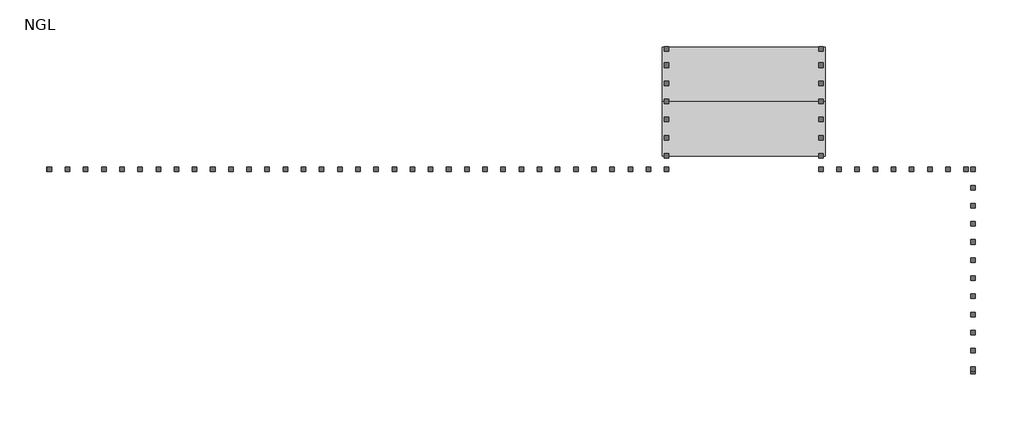
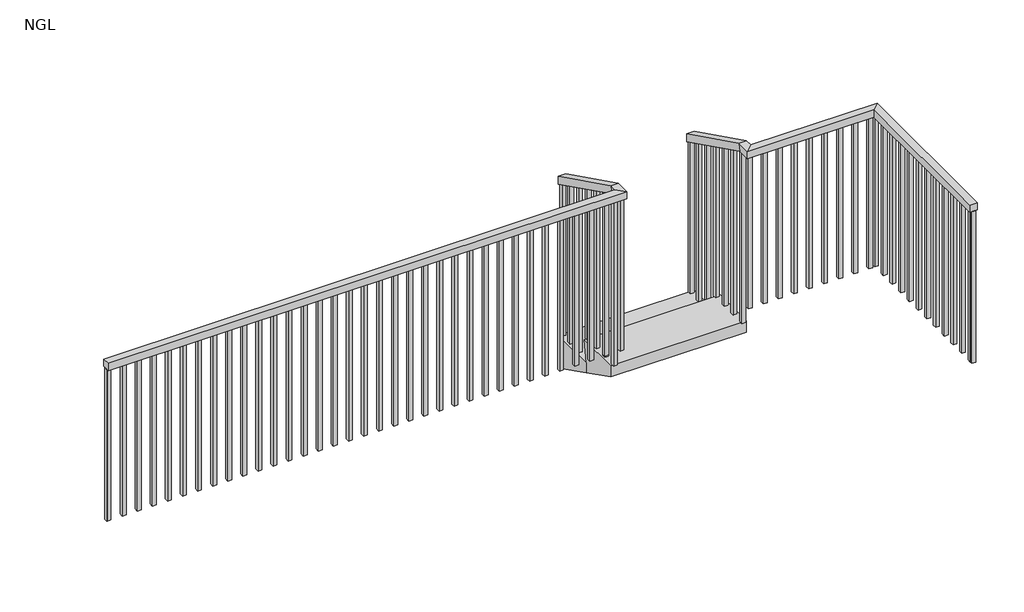
# One storey: 2 railings, 1 stair flight.
"""IFC4 building model written with IfcOpenShell, lengths in millimetres."""

from ifc_helpers import new_model, si_unit, frame, origin, place, context, project, spatial, polyline, outline, extrude, faceted_brep, element, save

model = new_model("IFC4")

# Units and contexts
model_context = context("Model", 3, world=origin())
ifc_project = project(units=[si_unit("LENGTHUNIT", "METRE", prefix="MILLI")], contexts=[model_context])

# Site, building, storey
site = spatial("IfcSite", under=ifc_project)
building = spatial("IfcBuilding", under=site)
storey = spatial("IfcBuildingStorey", under=building, Name="NGL", Elevation=0.0)

# Railings
placement = place(None, origin())
element("IfcRailing", 1, ObjectType="Handrail - Rectangular 2", at=placement, inside=storey, context=model_context, shape_type="SolidModel", body=[
    faceted_brep([(-2351.5415084, 9404.1935985, 1435.1), (-2351.5415084, 9404.1935985, 1378.3038734), (-2402.3415084, 9404.1935985, 1378.3038734), (-2402.3415084, 9404.1935985, 1435.1), (-2351.5415084, 8794.5935985, 1739.9), (-2351.5415084, 8782.6013452, 1689.1), (-2402.3415084, 8782.6013452, 1689.1), (-2402.3415084, 8794.5935985, 1739.9), (-5844.0721384, 8692.9935985, 1739.9), (-5844.0721384, 8743.7935985, 1739.9), (-5844.0721384, 8743.7935985, 1689.1), (-5844.0721384, 8692.9935985, 1689.1), (-2351.5415084, 8692.9935985, 1739.9), (-2351.5415084, 8692.9935985, 1689.1), (-2402.3415084, 8743.7935985, 1689.1), (-2402.3415084, 8743.7935985, 1739.9)], [[[0, 1, 2, 3]], [[1, 0, 4, 5]], [[2, 1, 5, 6]], [[3, 2, 6, 7]], [[0, 3, 7, 4]], [[8, 9, 10, 11]], [[5, 4, 12, 13]], [[6, 5, 13, 14]], [[7, 6, 14, 15]], [[4, 7, 15, 12]], [[13, 12, 8, 11]], [[14, 13, 11, 10]], [[15, 14, 10, 9]], [[12, 15, 9, 8]]]),
    extrude(outline(polyline([(-5818.6415084, 8731.0935985), (-5818.6415084, 8705.6935985), (-5844.0415084, 8705.6935985), (-5844.0415084, 8731.0935985), (-5818.6415084, 8731.0935985)])), frame((0.0, 0.0, 609.6), z_axis=(0.0, 0.0, 1.0), x_axis=(1.0, 0.0, 0.0)), (0.0, 0.0, 1.0), 1079.5),
    extrude(outline(polyline([(-5717.0415084, 8731.0935985), (-5717.0415084, 8705.6935985), (-5742.4415084, 8705.6935985), (-5742.4415084, 8731.0935985), (-5717.0415084, 8731.0935985)])), frame((0.0, 0.0, 609.6), z_axis=(0.0, 0.0, 1.0), x_axis=(1.0, 0.0, 0.0)), (0.0, 0.0, 1.0), 1079.5),
    extrude(outline(polyline([(-5615.4415084, 8731.0935985), (-5615.4415084, 8705.6935985), (-5640.8415084, 8705.6935985), (-5640.8415084, 8731.0935985), (-5615.4415084, 8731.0935985)])), frame((0.0, 0.0, 609.6), z_axis=(0.0, 0.0, 1.0), x_axis=(1.0, 0.0, 0.0)), (0.0, 0.0, 1.0), 1079.5),
    extrude(outline(polyline([(-5513.8415084, 8731.0935985), (-5513.8415084, 8705.6935985), (-5539.2415084, 8705.6935985), (-5539.2415084, 8731.0935985), (-5513.8415084, 8731.0935985)])), frame((0.0, 0.0, 609.6), z_axis=(0.0, 0.0, 1.0), x_axis=(1.0, 0.0, 0.0)), (0.0, 0.0, 1.0), 1079.5),
    extrude(outline(polyline([(-5412.2415084, 8731.0935985), (-5412.2415084, 8705.6935985), (-5437.6415084, 8705.6935985), (-5437.6415084, 8731.0935985), (-5412.2415084, 8731.0935985)])), frame((0.0, 0.0, 609.6), z_axis=(0.0, 0.0, 1.0), x_axis=(1.0, 0.0, 0.0)), (0.0, 0.0, 1.0), 1079.5),
    extrude(outline(polyline([(-5310.6415084, 8731.0935985), (-5310.6415084, 8705.6935985), (-5336.0415084, 8705.6935985), (-5336.0415084, 8731.0935985), (-5310.6415084, 8731.0935985)])), frame((0.0, 0.0, 609.6), z_axis=(0.0, 0.0, 1.0), x_axis=(1.0, 0.0, 0.0)), (0.0, 0.0, 1.0), 1079.5),
    extrude(outline(polyline([(-5209.0415084, 8731.0935985), (-5209.0415084, 8705.6935985), (-5234.4415084, 8705.6935985), (-5234.4415084, 8731.0935985), (-5209.0415084, 8731.0935985)])), frame((0.0, 0.0, 609.6), z_axis=(0.0, 0.0, 1.0), x_axis=(1.0, 0.0, 0.0)), (0.0, 0.0, 1.0), 1079.5),
    extrude(outline(polyline([(-5107.4415084, 8731.0935985), (-5107.4415084, 8705.6935985), (-5132.8415084, 8705.6935985), (-5132.8415084, 8731.0935985), (-5107.4415084, 8731.0935985)])), frame((0.0, 0.0, 609.6), z_axis=(0.0, 0.0, 1.0), x_axis=(1.0, 0.0, 0.0)), (0.0, 0.0, 1.0), 1079.5),
    extrude(outline(polyline([(-5005.8415084, 8731.0935985), (-5005.8415084, 8705.6935985), (-5031.2415084, 8705.6935985), (-5031.2415084, 8731.0935985), (-5005.8415084, 8731.0935985)])), frame((0.0, 0.0, 609.6), z_axis=(0.0, 0.0, 1.0), x_axis=(1.0, 0.0, 0.0)), (0.0, 0.0, 1.0), 1079.5),
    extrude(outline(polyline([(-4904.2415084, 8731.0935985), (-4904.2415084, 8705.6935985), (-4929.6415084, 8705.6935985), (-4929.6415084, 8731.0935985), (-4904.2415084, 8731.0935985)])), frame((0.0, 0.0, 609.6), z_axis=(0.0, 0.0, 1.0), x_axis=(1.0, 0.0, 0.0)), (0.0, 0.0, 1.0), 1079.5),
    extrude(outline(polyline([(-4802.6415084, 8731.0935985), (-4802.6415084, 8705.6935985), (-4828.0415084, 8705.6935985), (-4828.0415084, 8731.0935985), (-4802.6415084, 8731.0935985)])), frame((0.0, 0.0, 609.6), z_axis=(0.0, 0.0, 1.0), x_axis=(1.0, 0.0, 0.0)), (0.0, 0.0, 1.0), 1079.5),
    extrude(outline(polyline([(-4701.0415084, 8731.0935985), (-4701.0415084, 8705.6935985), (-4726.4415084, 8705.6935985), (-4726.4415084, 8731.0935985), (-4701.0415084, 8731.0935985)])), frame((0.0, 0.0, 609.6), z_axis=(0.0, 0.0, 1.0), x_axis=(1.0, 0.0, 0.0)), (0.0, 0.0, 1.0), 1079.5),
    extrude(outline(polyline([(-4599.4415084, 8731.0935985), (-4599.4415084, 8705.6935985), (-4624.8415084, 8705.6935985), (-4624.8415084, 8731.0935985), (-4599.4415084, 8731.0935985)])), frame((0.0, 0.0, 609.6), z_axis=(0.0, 0.0, 1.0), x_axis=(1.0, 0.0, 0.0)), (0.0, 0.0, 1.0), 1079.5),
    extrude(outline(polyline([(-4497.8415084, 8731.0935985), (-4497.8415084, 8705.6935985), (-4523.2415084, 8705.6935985), (-4523.2415084, 8731.0935985), (-4497.8415084, 8731.0935985)])), frame((0.0, 0.0, 609.6), z_axis=(0.0, 0.0, 1.0), x_axis=(1.0, 0.0, 0.0)), (0.0, 0.0, 1.0), 1079.5),
    extrude(outline(polyline([(-4396.2415084, 8731.0935985), (-4396.2415084, 8705.6935985), (-4421.6415084, 8705.6935985), (-4421.6415084, 8731.0935985), (-4396.2415084, 8731.0935985)])), frame((0.0, 0.0, 609.6), z_axis=(0.0, 0.0, 1.0), x_axis=(1.0, 0.0, 0.0)), (0.0, 0.0, 1.0), 1079.5),
    extrude(outline(polyline([(-4294.6415084, 8731.0935985), (-4294.6415084, 8705.6935985), (-4320.0415084, 8705.6935985), (-4320.0415084, 8731.0935985), (-4294.6415084, 8731.0935985)])), frame((0.0, 0.0, 609.6), z_axis=(0.0, 0.0, 1.0), x_axis=(1.0, 0.0, 0.0)), (0.0, 0.0, 1.0), 1079.5),
    extrude(outline(polyline([(-4193.0415084, 8731.0935985), (-4193.0415084, 8705.6935985), (-4218.4415084, 8705.6935985), (-4218.4415084, 8731.0935985), (-4193.0415084, 8731.0935985)])), frame((0.0, 0.0, 609.6), z_axis=(0.0, 0.0, 1.0), x_axis=(1.0, 0.0, 0.0)), (0.0, 0.0, 1.0), 1079.5),
    extrude(outline(polyline([(-4091.4415084, 8731.0935985), (-4091.4415084, 8705.6935985), (-4116.8415084, 8705.6935985), (-4116.8415084, 8731.0935985), (-4091.4415084, 8731.0935985)])), frame((0.0, 0.0, 609.6), z_axis=(0.0, 0.0, 1.0), x_axis=(1.0, 0.0, 0.0)), (0.0, 0.0, 1.0), 1079.5),
    extrude(outline(polyline([(-3989.8415084, 8731.0935985), (-3989.8415084, 8705.6935985), (-4015.2415084, 8705.6935985), (-4015.2415084, 8731.0935985), (-3989.8415084, 8731.0935985)])), frame((0.0, 0.0, 609.6), z_axis=(0.0, 0.0, 1.0), x_axis=(1.0, 0.0, 0.0)), (0.0, 0.0, 1.0), 1079.5),
    extrude(outline(polyline([(-3888.2415084, 8731.0935985), (-3888.2415084, 8705.6935985), (-3913.6415084, 8705.6935985), (-3913.6415084, 8731.0935985), (-3888.2415084, 8731.0935985)])), frame((0.0, 0.0, 609.6), z_axis=(0.0, 0.0, 1.0), x_axis=(1.0, 0.0, 0.0)), (0.0, 0.0, 1.0), 1079.5),
    extrude(outline(polyline([(-3786.6415084, 8731.0935985), (-3786.6415084, 8705.6935985), (-3812.0415084, 8705.6935985), (-3812.0415084, 8731.0935985), (-3786.6415084, 8731.0935985)])), frame((0.0, 0.0, 609.6), z_axis=(0.0, 0.0, 1.0), x_axis=(1.0, 0.0, 0.0)), (0.0, 0.0, 1.0), 1079.5),
    extrude(outline(polyline([(-3685.0415084, 8731.0935985), (-3685.0415084, 8705.6935985), (-3710.4415084, 8705.6935985), (-3710.4415084, 8731.0935985), (-3685.0415084, 8731.0935985)])), frame((0.0, 0.0, 609.6), z_axis=(0.0, 0.0, 1.0), x_axis=(1.0, 0.0, 0.0)), (0.0, 0.0, 1.0), 1079.5),
    extrude(outline(polyline([(-3583.4415084, 8731.0935985), (-3583.4415084, 8705.6935985), (-3608.8415084, 8705.6935985), (-3608.8415084, 8731.0935985), (-3583.4415084, 8731.0935985)])), frame((0.0, 0.0, 609.6), z_axis=(0.0, 0.0, 1.0), x_axis=(1.0, 0.0, 0.0)), (0.0, 0.0, 1.0), 1079.5),
    extrude(outline(polyline([(-3481.8415084, 8731.0935985), (-3481.8415084, 8705.6935985), (-3507.2415084, 8705.6935985), (-3507.2415084, 8731.0935985), (-3481.8415084, 8731.0935985)])), frame((0.0, 0.0, 609.6), z_axis=(0.0, 0.0, 1.0), x_axis=(1.0, 0.0, 0.0)), (0.0, 0.0, 1.0), 1079.5),
    extrude(outline(polyline([(-3380.2415084, 8731.0935985), (-3380.2415084, 8705.6935985), (-3405.6415084, 8705.6935985), (-3405.6415084, 8731.0935985), (-3380.2415084, 8731.0935985)])), frame((0.0, 0.0, 609.6), z_axis=(0.0, 0.0, 1.0), x_axis=(1.0, 0.0, 0.0)), (0.0, 0.0, 1.0), 1079.5),
    extrude(outline(polyline([(-3278.6415084, 8731.0935985), (-3278.6415084, 8705.6935985), (-3304.0415084, 8705.6935985), (-3304.0415084, 8731.0935985), (-3278.6415084, 8731.0935985)])), frame((0.0, 0.0, 609.6), z_axis=(0.0, 0.0, 1.0), x_axis=(1.0, 0.0, 0.0)), (0.0, 0.0, 1.0), 1079.5),
    extrude(outline(polyline([(-3177.0415084, 8731.0935985), (-3177.0415084, 8705.6935985), (-3202.4415084, 8705.6935985), (-3202.4415084, 8731.0935985), (-3177.0415084, 8731.0935985)])), frame((0.0, 0.0, 609.6), z_axis=(0.0, 0.0, 1.0), x_axis=(1.0, 0.0, 0.0)), (0.0, 0.0, 1.0), 1079.5),
    extrude(outline(polyline([(-3075.4415084, 8731.0935985), (-3075.4415084, 8705.6935985), (-3100.8415084, 8705.6935985), (-3100.8415084, 8731.0935985), (-3075.4415084, 8731.0935985)])), frame((0.0, 0.0, 609.6), z_axis=(0.0, 0.0, 1.0), x_axis=(1.0, 0.0, 0.0)), (0.0, 0.0, 1.0), 1079.5),
    extrude(outline(polyline([(-2973.8415084, 8731.0935985), (-2973.8415084, 8705.6935985), (-2999.2415084, 8705.6935985), (-2999.2415084, 8731.0935985), (-2973.8415084, 8731.0935985)])), frame((0.0, 0.0, 609.6), z_axis=(0.0, 0.0, 1.0), x_axis=(1.0, 0.0, 0.0)), (0.0, 0.0, 1.0), 1079.5),
    extrude(outline(polyline([(-2872.2415084, 8731.0935985), (-2872.2415084, 8705.6935985), (-2897.6415084, 8705.6935985), (-2897.6415084, 8731.0935985), (-2872.2415084, 8731.0935985)])), frame((0.0, 0.0, 609.6), z_axis=(0.0, 0.0, 1.0), x_axis=(1.0, 0.0, 0.0)), (0.0, 0.0, 1.0), 1079.5),
    extrude(outline(polyline([(-2770.6415084, 8731.0935985), (-2770.6415084, 8705.6935985), (-2796.0415084, 8705.6935985), (-2796.0415084, 8731.0935985), (-2770.6415084, 8731.0935985)])), frame((0.0, 0.0, 609.6), z_axis=(0.0, 0.0, 1.0), x_axis=(1.0, 0.0, 0.0)), (0.0, 0.0, 1.0), 1079.5),
    extrude(outline(polyline([(-2669.0415084, 8731.0935985), (-2669.0415084, 8705.6935985), (-2694.4415084, 8705.6935985), (-2694.4415084, 8731.0935985), (-2669.0415084, 8731.0935985)])), frame((0.0, 0.0, 609.6), z_axis=(0.0, 0.0, 1.0), x_axis=(1.0, 0.0, 0.0)), (0.0, 0.0, 1.0), 1079.5),
    extrude(outline(polyline([(-2567.4415084, 8731.0935985), (-2567.4415084, 8705.6935985), (-2592.8415084, 8705.6935985), (-2592.8415084, 8731.0935985), (-2567.4415084, 8731.0935985)])), frame((0.0, 0.0, 609.6), z_axis=(0.0, 0.0, 1.0), x_axis=(1.0, 0.0, 0.0)), (0.0, 0.0, 1.0), 1079.5),
    extrude(outline(polyline([(-2465.8415084, 8731.0935985), (-2465.8415084, 8705.6935985), (-2491.2415084, 8705.6935985), (-2491.2415084, 8731.0935985), (-2465.8415084, 8731.0935985)])), frame((0.0, 0.0, 609.6), z_axis=(0.0, 0.0, 1.0), x_axis=(1.0, 0.0, 0.0)), (0.0, 0.0, 1.0), 1079.5),
    extrude(outline(polyline([(8781.8935985, 1689.4538734), (8807.2935985, 1676.7538734), (8807.2935985, 457.2), (8781.8935985, 457.2), (8781.8935985, 1689.4538734)])), frame((-2389.6415084, 0.0, 0.0), z_axis=(1.0, 0.0, 0.0), x_axis=(0.0, 1.0, 0.0)), (0.0, 0.0, 1.0), 25.4),
    extrude(outline(polyline([(8883.4935985, 1638.6538734), (8908.8935985, 1625.9538734), (8908.8935985, 457.2), (8883.4935985, 457.2), (8883.4935985, 1638.6538734)])), frame((-2389.6415084, 0.0, 0.0), z_axis=(1.0, 0.0, 0.0), x_axis=(0.0, 1.0, 0.0)), (0.0, 0.0, 1.0), 25.4),
    extrude(outline(polyline([(8985.0935985, 1587.8538734), (9010.4935985, 1575.1538734), (9010.4935985, 457.2), (8985.0935985, 457.2), (8985.0935985, 1587.8538734)])), frame((-2389.6415084, 0.0, 0.0), z_axis=(1.0, 0.0, 0.0), x_axis=(0.0, 1.0, 0.0)), (0.0, 0.0, 1.0), 25.4),
    extrude(outline(polyline([(9086.6935985, 1537.0538734), (9112.0935985, 1524.3538734), (9112.0935985, 457.2), (9086.6935985, 457.2), (9086.6935985, 1537.0538734)])), frame((-2389.6415084, 0.0, 0.0), z_axis=(1.0, 0.0, 0.0), x_axis=(0.0, 1.0, 0.0)), (0.0, 0.0, 1.0), 25.4),
    extrude(outline(polyline([(9188.2935985, 1486.2538734), (9213.6935985, 1473.5538734), (9213.6935985, 304.8), (9188.2935985, 304.8), (9188.2935985, 1486.2538734)])), frame((-2389.6415084, 0.0, 0.0), z_axis=(1.0, 0.0, 0.0), x_axis=(0.0, 1.0, 0.0)), (0.0, 0.0, 1.0), 25.4),
    extrude(outline(polyline([(9289.8935985, 1435.4538734), (9315.2935985, 1422.7538734), (9315.2935985, 304.8), (9289.8935985, 304.8), (9289.8935985, 1435.4538734)])), frame((-2389.6415084, 0.0, 0.0), z_axis=(1.0, 0.0, 0.0), x_axis=(0.0, 1.0, 0.0)), (0.0, 0.0, 1.0), 25.4),
    extrude(outline(polyline([(-2389.6415084, 8731.0935985), (-2364.2415084, 8731.0935985), (-2364.2415084, 8705.6935985), (-2389.6415084, 8705.6935985), (-2389.6415084, 8731.0935985)])), frame((0.0, 0.0, 609.6), z_axis=(0.0, 0.0, 1.0), x_axis=(1.0, 0.0, 0.0)), (0.0, 0.0, 1.0), 1079.5),
    extrude(outline(polyline([(-5821.8471384, 8731.0935985), (-5821.8471384, 8705.6935985), (-5847.2471384, 8705.6935985), (-5847.2471384, 8731.0935985), (-5821.8471384, 8731.0935985)])), frame((0.0, 0.0, 609.6), z_axis=(0.0, 0.0, 1.0), x_axis=(1.0, 0.0, 0.0)), (0.0, 0.0, 1.0), 1079.5),
    extrude(outline(polyline([(9381.9685985, 1389.4163734), (9407.3685985, 1376.7163734), (9407.3685985, 304.8), (9381.9685985, 304.8), (9381.9685985, 1389.4163734)])), frame((-2389.6415084, 0.0, 0.0), z_axis=(1.0, 0.0, 0.0), x_axis=(0.0, 1.0, 0.0)), (0.0, 0.0, 1.0), 25.4),
])
element("IfcRailing", 2, ObjectType="Handrail - Rectangular 2", at=placement, inside=storey, context=model_context, shape_type="SolidModel", body=[
    faceted_brep([(-1487.9415084, 9404.1935985, 1435.1), (-1487.9415084, 9404.1935985, 1378.3038734), (-1538.7415084, 9404.1935985, 1378.3038734), (-1538.7415084, 9404.1935985, 1435.1), (-1487.9415084, 8794.5935985, 1739.9), (-1487.9415084, 8782.6013452, 1689.1), (-1538.7415084, 8782.6013452, 1689.1), (-1538.7415084, 8794.5935985, 1739.9), (-637.0415084, 7575.3935985, 1739.9), (-687.8415084, 7575.3935985, 1739.9), (-687.8415084, 7575.3935985, 1689.1), (-637.0415084, 7575.3935985, 1689.1), (-1487.9415084, 8743.7935985, 1739.9), (-1487.9415084, 8743.7935985, 1689.1), (-1538.7415084, 8692.9935985, 1689.1), (-1538.7415084, 8692.9935985, 1739.9), (-637.0415084, 8743.7935985, 1739.9), (-637.0415084, 8743.7935985, 1689.1), (-687.8415084, 8692.9935985, 1689.1), (-687.8415084, 8692.9935985, 1739.9)], [[[0, 1, 2, 3]], [[1, 0, 4, 5]], [[2, 1, 5, 6]], [[3, 2, 6, 7]], [[0, 3, 7, 4]], [[8, 9, 10, 11]], [[5, 4, 12, 13]], [[6, 5, 13, 14]], [[7, 6, 14, 15]], [[4, 7, 15, 12]], [[13, 12, 16, 17]], [[14, 13, 17, 18]], [[15, 14, 18, 19]], [[12, 15, 19, 16]], [[17, 16, 8, 11]], [[18, 17, 11, 10]], [[19, 18, 10, 9]], [[16, 19, 9, 8]]]),
    extrude(outline(polyline([(-649.7415084, 7613.4935985), (-649.7415084, 7588.0935985), (-675.1415084, 7588.0935985), (-675.1415084, 7613.4935985), (-649.7415084, 7613.4935985)])), frame((0.0, 0.0, 609.6), z_axis=(0.0, 0.0, 1.0), x_axis=(1.0, 0.0, 0.0)), (0.0, 0.0, 1.0), 1079.5),
    extrude(outline(polyline([(-649.7415084, 7715.0935985), (-649.7415084, 7689.6935985), (-675.1415084, 7689.6935985), (-675.1415084, 7715.0935985), (-649.7415084, 7715.0935985)])), frame((0.0, 0.0, 609.6), z_axis=(0.0, 0.0, 1.0), x_axis=(1.0, 0.0, 0.0)), (0.0, 0.0, 1.0), 1079.5),
    extrude(outline(polyline([(-649.7415084, 7816.6935985), (-649.7415084, 7791.2935985), (-675.1415084, 7791.2935985), (-675.1415084, 7816.6935985), (-649.7415084, 7816.6935985)])), frame((0.0, 0.0, 609.6), z_axis=(0.0, 0.0, 1.0), x_axis=(1.0, 0.0, 0.0)), (0.0, 0.0, 1.0), 1079.5),
    extrude(outline(polyline([(-649.7415084, 7918.2935985), (-649.7415084, 7892.8935985), (-675.1415084, 7892.8935985), (-675.1415084, 7918.2935985), (-649.7415084, 7918.2935985)])), frame((0.0, 0.0, 609.6), z_axis=(0.0, 0.0, 1.0), x_axis=(1.0, 0.0, 0.0)), (0.0, 0.0, 1.0), 1079.5),
    extrude(outline(polyline([(-649.7415084, 8019.8935985), (-649.7415084, 7994.4935985), (-675.1415084, 7994.4935985), (-675.1415084, 8019.8935985), (-649.7415084, 8019.8935985)])), frame((0.0, 0.0, 609.6), z_axis=(0.0, 0.0, 1.0), x_axis=(1.0, 0.0, 0.0)), (0.0, 0.0, 1.0), 1079.5),
    extrude(outline(polyline([(-649.7415084, 8121.4935985), (-649.7415084, 8096.0935985), (-675.1415084, 8096.0935985), (-675.1415084, 8121.4935985), (-649.7415084, 8121.4935985)])), frame((0.0, 0.0, 609.6), z_axis=(0.0, 0.0, 1.0), x_axis=(1.0, 0.0, 0.0)), (0.0, 0.0, 1.0), 1079.5),
    extrude(outline(polyline([(-649.7415084, 8223.0935985), (-649.7415084, 8197.6935985), (-675.1415084, 8197.6935985), (-675.1415084, 8223.0935985), (-649.7415084, 8223.0935985)])), frame((0.0, 0.0, 609.6), z_axis=(0.0, 0.0, 1.0), x_axis=(1.0, 0.0, 0.0)), (0.0, 0.0, 1.0), 1079.5),
    extrude(outline(polyline([(-649.7415084, 8324.6935985), (-649.7415084, 8299.2935985), (-675.1415084, 8299.2935985), (-675.1415084, 8324.6935985), (-649.7415084, 8324.6935985)])), frame((0.0, 0.0, 609.6), z_axis=(0.0, 0.0, 1.0), x_axis=(1.0, 0.0, 0.0)), (0.0, 0.0, 1.0), 1079.5),
    extrude(outline(polyline([(-649.7415084, 8426.2935985), (-649.7415084, 8400.8935985), (-675.1415084, 8400.8935985), (-675.1415084, 8426.2935985), (-649.7415084, 8426.2935985)])), frame((0.0, 0.0, 609.6), z_axis=(0.0, 0.0, 1.0), x_axis=(1.0, 0.0, 0.0)), (0.0, 0.0, 1.0), 1079.5),
    extrude(outline(polyline([(-649.7415084, 8527.8935985), (-649.7415084, 8502.4935985), (-675.1415084, 8502.4935985), (-675.1415084, 8527.8935985), (-649.7415084, 8527.8935985)])), frame((0.0, 0.0, 609.6), z_axis=(0.0, 0.0, 1.0), x_axis=(1.0, 0.0, 0.0)), (0.0, 0.0, 1.0), 1079.5),
    extrude(outline(polyline([(-649.7415084, 8629.4935985), (-649.7415084, 8604.0935985), (-675.1415084, 8604.0935985), (-675.1415084, 8629.4935985), (-649.7415084, 8629.4935985)])), frame((0.0, 0.0, 609.6), z_axis=(0.0, 0.0, 1.0), x_axis=(1.0, 0.0, 0.0)), (0.0, 0.0, 1.0), 1079.5),
    extrude(outline(polyline([(-713.2415084, 8731.0935985), (-687.8415084, 8731.0935985), (-687.8415084, 8705.6935985), (-713.2415084, 8705.6935985), (-713.2415084, 8731.0935985)])), frame((0.0, 0.0, 609.6), z_axis=(0.0, 0.0, 1.0), x_axis=(1.0, 0.0, 0.0)), (0.0, 0.0, 1.0), 1079.5),
    extrude(outline(polyline([(-814.8415084, 8731.0935985), (-789.4415084, 8731.0935985), (-789.4415084, 8705.6935985), (-814.8415084, 8705.6935985), (-814.8415084, 8731.0935985)])), frame((0.0, 0.0, 609.6), z_axis=(0.0, 0.0, 1.0), x_axis=(1.0, 0.0, 0.0)), (0.0, 0.0, 1.0), 1079.5),
    extrude(outline(polyline([(-916.4415084, 8731.0935985), (-891.0415084, 8731.0935985), (-891.0415084, 8705.6935985), (-916.4415084, 8705.6935985), (-916.4415084, 8731.0935985)])), frame((0.0, 0.0, 609.6), z_axis=(0.0, 0.0, 1.0), x_axis=(1.0, 0.0, 0.0)), (0.0, 0.0, 1.0), 1079.5),
    extrude(outline(polyline([(-1018.0415084, 8731.0935985), (-992.6415084, 8731.0935985), (-992.6415084, 8705.6935985), (-1018.0415084, 8705.6935985), (-1018.0415084, 8731.0935985)])), frame((0.0, 0.0, 609.6), z_axis=(0.0, 0.0, 1.0), x_axis=(1.0, 0.0, 0.0)), (0.0, 0.0, 1.0), 1079.5),
    extrude(outline(polyline([(-1119.6415084, 8731.0935985), (-1094.2415084, 8731.0935985), (-1094.2415084, 8705.6935985), (-1119.6415084, 8705.6935985), (-1119.6415084, 8731.0935985)])), frame((0.0, 0.0, 609.6), z_axis=(0.0, 0.0, 1.0), x_axis=(1.0, 0.0, 0.0)), (0.0, 0.0, 1.0), 1079.5),
    extrude(outline(polyline([(-1221.2415084, 8731.0935985), (-1195.8415084, 8731.0935985), (-1195.8415084, 8705.6935985), (-1221.2415084, 8705.6935985), (-1221.2415084, 8731.0935985)])), frame((0.0, 0.0, 609.6), z_axis=(0.0, 0.0, 1.0), x_axis=(1.0, 0.0, 0.0)), (0.0, 0.0, 1.0), 1079.5),
    extrude(outline(polyline([(-1322.8415084, 8731.0935985), (-1297.4415084, 8731.0935985), (-1297.4415084, 8705.6935985), (-1322.8415084, 8705.6935985), (-1322.8415084, 8731.0935985)])), frame((0.0, 0.0, 609.6), z_axis=(0.0, 0.0, 1.0), x_axis=(1.0, 0.0, 0.0)), (0.0, 0.0, 1.0), 1079.5),
    extrude(outline(polyline([(-1424.4415084, 8731.0935985), (-1399.0415084, 8731.0935985), (-1399.0415084, 8705.6935985), (-1424.4415084, 8705.6935985), (-1424.4415084, 8731.0935985)])), frame((0.0, 0.0, 609.6), z_axis=(0.0, 0.0, 1.0), x_axis=(1.0, 0.0, 0.0)), (0.0, 0.0, 1.0), 1079.5),
    extrude(outline(polyline([(8807.2935985, 1676.7538734), (8807.2935985, 457.2), (8781.8935985, 457.2), (8781.8935985, 1689.4538734), (8807.2935985, 1676.7538734)])), frame((-1526.0415084, 0.0, 0.0), z_axis=(1.0, 0.0, 0.0), x_axis=(0.0, 1.0, 0.0)), (0.0, 0.0, 1.0), 25.4),
    extrude(outline(polyline([(8908.8935985, 1625.9538734), (8908.8935985, 457.2), (8883.4935985, 457.2), (8883.4935985, 1638.6538734), (8908.8935985, 1625.9538734)])), frame((-1526.0415084, 0.0, 0.0), z_axis=(1.0, 0.0, 0.0), x_axis=(0.0, 1.0, 0.0)), (0.0, 0.0, 1.0), 25.4),
    extrude(outline(polyline([(9010.4935985, 1575.1538734), (9010.4935985, 457.2), (8985.0935985, 457.2), (8985.0935985, 1587.8538734), (9010.4935985, 1575.1538734)])), frame((-1526.0415084, 0.0, 0.0), z_axis=(1.0, 0.0, 0.0), x_axis=(0.0, 1.0, 0.0)), (0.0, 0.0, 1.0), 25.4),
    extrude(outline(polyline([(9112.0935985, 1524.3538734), (9112.0935985, 457.2), (9086.6935985, 457.2), (9086.6935985, 1537.0538734), (9112.0935985, 1524.3538734)])), frame((-1526.0415084, 0.0, 0.0), z_axis=(1.0, 0.0, 0.0), x_axis=(0.0, 1.0, 0.0)), (0.0, 0.0, 1.0), 25.4),
    extrude(outline(polyline([(9213.6935985, 1473.5538734), (9213.6935985, 304.8), (9188.2935985, 304.8), (9188.2935985, 1486.2538734), (9213.6935985, 1473.5538734)])), frame((-1526.0415084, 0.0, 0.0), z_axis=(1.0, 0.0, 0.0), x_axis=(0.0, 1.0, 0.0)), (0.0, 0.0, 1.0), 25.4),
    extrude(outline(polyline([(9315.2935985, 1422.7538734), (9315.2935985, 304.8), (9289.8935985, 304.8), (9289.8935985, 1435.4538734), (9315.2935985, 1422.7538734)])), frame((-1526.0415084, 0.0, 0.0), z_axis=(1.0, 0.0, 0.0), x_axis=(0.0, 1.0, 0.0)), (0.0, 0.0, 1.0), 25.4),
    extrude(outline(polyline([(-675.1415084, 8731.0935985), (-649.7415084, 8731.0935985), (-649.7415084, 8705.6935985), (-675.1415084, 8705.6935985), (-675.1415084, 8731.0935985)])), frame((0.0, 0.0, 609.6), z_axis=(0.0, 0.0, 1.0), x_axis=(1.0, 0.0, 0.0)), (0.0, 0.0, 1.0), 1079.5),
    extrude(outline(polyline([(-1500.6415084, 8731.0935985), (-1500.6415084, 8705.6935985), (-1526.0415084, 8705.6935985), (-1526.0415084, 8731.0935985), (-1500.6415084, 8731.0935985)])), frame((0.0, 0.0, 609.6), z_axis=(0.0, 0.0, 1.0), x_axis=(1.0, 0.0, 0.0)), (0.0, 0.0, 1.0), 1079.5),
    extrude(outline(polyline([(-649.7415084, 7597.6185985), (-649.7415084, 7572.2185985), (-675.1415084, 7572.2185985), (-675.1415084, 7597.6185985), (-649.7415084, 7597.6185985)])), frame((0.0, 0.0, 609.6), z_axis=(0.0, 0.0, 1.0), x_axis=(1.0, 0.0, 0.0)), (0.0, 0.0, 1.0), 1079.5),
    extrude(outline(polyline([(9407.3685985, 1376.7163734), (9407.3685985, 304.8), (9381.9685985, 304.8), (9381.9685985, 1389.4163734), (9407.3685985, 1376.7163734)])), frame((-1526.0415084, 0.0, 0.0), z_axis=(1.0, 0.0, 0.0), x_axis=(0.0, 1.0, 0.0)), (0.0, 0.0, 1.0), 25.4),
])

# Stair flight
element("IfcStairFlight", 3, ObjectType="3/4\" Nosing", at=placement, inside=storey, context=model_context, shape_type="Brep", body=[
    faceted_brep([(-2402.3415084, 9404.1935985, 304.8), (-1487.9415084, 9404.1935985, 304.8), (-1487.9415084, 9385.1435985, 152.4), (-2402.3415084, 9385.1435985, 152.4), (-2402.3415084, 9080.3435985, 304.8), (-1487.9415084, 9080.3435985, 304.8), (-1487.9415084, 9080.3435985, 233.8048417), (-1487.9415084, 9385.1435985, 81.4048417), (-2402.3415084, 9385.1435985, 81.4048417), (-2402.3415084, 9080.3435985, 233.8048417), (-1487.9415084, 8794.5935985, 376.6798417), (-2402.3415084, 8794.5935985, 376.6798417), (-1487.9415084, 9099.3935985, 457.2), (-2402.3415084, 9099.3935985, 457.2), (-2402.3415084, 8794.5935985, 457.2), (-1487.9415084, 8794.5935985, 457.2)], [[[0, 1, 2, 3]], [[1, 0, 4, 5]], [[1, 5, 6, 7, 2]], [[3, 2, 7, 8]], [[4, 0, 3, 8, 9]], [[9, 8, 7, 6, 10, 11]], [[12, 13, 14, 15]], [[12, 15, 10, 6, 5]], [[14, 13, 4, 9, 11]], [[15, 14, 11, 10]], [[5, 4, 13, 12]]]),
])

save(model, "model.ifc")
